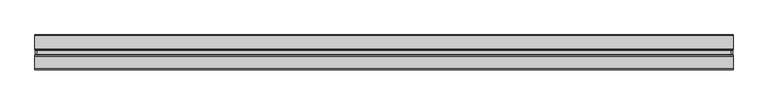
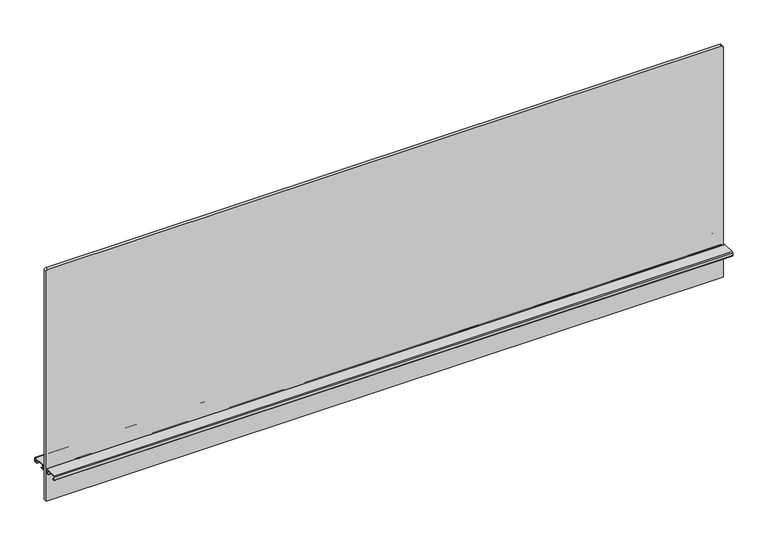
"""IFC4 building model written with IfcOpenShell, lengths in millimetres: furniture geometry."""

from ifc_helpers import new_model, si_unit, point, frame, frame_2d, origin, place, context, project, spatial, polyline, circle_curve, trimmed, segment, composite_curve, outline, extrude, source, transform, mapped, element, save


def furniture_6498df90(model_context):
    return source(origin(), model_context, "Body", "SweptSolid", [
        extrude(outline(composite_curve([segment(polyline([(1239.367613, 756.92), (1239.367613, -756.92)]), True, "CONTINUOUS"), segment(trimmed(circle_curve(frame_2d((1235.557613, -756.92)), 3.81), [point((1239.367613, -756.92))], [point((1235.557613, -760.73))], False, "CARTESIAN"), True, "CONTINUOUS"), segment(polyline([(1235.557613, -760.73), (689.965613, -760.73), (689.965613, 760.73), (1235.557613, 760.73)]), True, "CONTINUOUS"), segment(trimmed(circle_curve(frame_2d((1235.557613, 756.92)), 3.81), [point((1235.557613, 760.73))], [point((1239.367613, 756.92))], False, "CARTESIAN"), True, "CONTINUOUS")], self_intersect=False)), frame((0.0, -3.683001, 0.0), z_axis=(0.0, 1.0, 0.0), x_axis=(0.0, 0.0, 1.0)), (0.0, 0.0, 1.0), 7.3660021),
        extrude(outline(composite_curve([segment(polyline([(8.1724496, 769.2644064), (36.0679996, 769.2644064)]), True, "CONTINUOUS"), segment(trimmed(circle_curve(frame_2d((36.0679996, 767.2324064)), 2.032), [point((36.0679996, 769.2644064))], [point((38.0999996, 767.2324064))], False, "CARTESIAN"), True, "CONTINUOUS"), segment(polyline([(38.0999996, 767.2324064), (38.0999996, 761.1364161)]), True, "CONTINUOUS"), segment(trimmed(circle_curve(frame_2d((36.0679996, 761.1364161)), 2.032), [point((38.0999996, 761.1364161))], [point((36.0679996, 759.1044161))], False, "CARTESIAN"), True, "CONTINUOUS"), segment(polyline([(36.0679996, 759.1044161), (30.7784504, 759.1044161), (30.7784504, 760.0187498), (36.1695996, 760.0187498)]), True, "CONTINUOUS"), segment(trimmed(circle_curve(frame_2d((36.1695996, 761.0347498)), 1.016), [point((36.1695996, 760.0187498))], [point((37.1855996, 761.0347498))], True, "CARTESIAN"), True, "CONTINUOUS"), segment(polyline([(37.1855996, 761.0347498), (37.1855996, 767.334)]), True, "CONTINUOUS"), segment(trimmed(circle_curve(frame_2d((36.1695996, 767.334)), 1.016), [point((37.1855996, 767.334))], [point((36.1695996, 768.35))], True, "CARTESIAN"), True, "CONTINUOUS"), segment(polyline([(36.1695996, 768.35), (8.0708496, 768.35)]), True, "CONTINUOUS"), segment(trimmed(circle_curve(frame_2d((8.0708496, 767.334)), 1.016), [point((8.0708496, 768.35))], [point((7.0548496, 767.334))], True, "CARTESIAN"), True, "CONTINUOUS"), segment(polyline([(7.0548496, 767.334), (7.0548496, 761.0347498)]), True, "CONTINUOUS"), segment(trimmed(circle_curve(frame_2d((8.0708496, 761.0347498)), 1.016), [point((7.0548496, 761.0347498))], [point((8.0708496, 760.0187498))], True, "CARTESIAN"), True, "CONTINUOUS"), segment(polyline([(8.0708496, 760.0187498), (13.4619988, 760.0187498), (13.4619988, 759.1044161), (8.1724496, 759.1044161)]), True, "CONTINUOUS"), segment(trimmed(circle_curve(frame_2d((8.1724496, 761.1364161)), 2.032), [point((8.1724496, 759.1044161))], [point((6.1404496, 761.1364161))], False, "CARTESIAN"), True, "CONTINUOUS"), segment(polyline([(6.1404496, 761.1364161), (6.1404496, 767.2324064)]), True, "CONTINUOUS"), segment(trimmed(circle_curve(frame_2d((8.1724496, 767.2324064)), 2.032), [point((6.1404496, 767.2324064))], [point((8.1724496, 769.2644064))], False, "CARTESIAN"), True, "CONTINUOUS")], self_intersect=False)), frame((-762.0, 0.0, 0.0), z_axis=(1.0, 0.0, 0.0), x_axis=(0.0, 1.0, 0.0)), (0.0, 0.0, 1.0), 1524.0),
        extrude(outline(composite_curve([segment(trimmed(circle_curve(frame_2d((-8.1724496, 767.2324064)), 2.032), [point((-8.1724496, 769.2644064))], [point((-6.1404496, 767.2324064))], False, "CARTESIAN"), True, "CONTINUOUS"), segment(polyline([(-6.1404496, 767.2324064), (-6.1404496, 761.1364161)]), True, "CONTINUOUS"), segment(trimmed(circle_curve(frame_2d((-8.1724496, 761.1364161)), 2.032), [point((-6.1404496, 761.1364161))], [point((-8.1724496, 759.1044161))], False, "CARTESIAN"), True, "CONTINUOUS"), segment(polyline([(-8.1724496, 759.1044161), (-13.4619988, 759.1044161), (-13.4619988, 760.0187498), (-8.0708496, 760.0187498)]), True, "CONTINUOUS"), segment(trimmed(circle_curve(frame_2d((-8.0708496, 761.0347498)), 1.016), [point((-8.0708496, 760.0187498))], [point((-7.0548496, 761.0347498))], True, "CARTESIAN"), True, "CONTINUOUS"), segment(polyline([(-7.0548496, 761.0347498), (-7.0548496, 767.334)]), True, "CONTINUOUS"), segment(trimmed(circle_curve(frame_2d((-8.0708496, 767.334)), 1.016), [point((-7.0548496, 767.334))], [point((-8.0708496, 768.35))], True, "CARTESIAN"), True, "CONTINUOUS"), segment(polyline([(-8.0708496, 768.35), (-36.1695996, 768.35)]), True, "CONTINUOUS"), segment(trimmed(circle_curve(frame_2d((-36.1695996, 767.334)), 1.016), [point((-36.1695996, 768.35))], [point((-37.1855996, 767.334))], True, "CARTESIAN"), True, "CONTINUOUS"), segment(polyline([(-37.1855996, 767.334), (-37.1855996, 761.0347498)]), True, "CONTINUOUS"), segment(trimmed(circle_curve(frame_2d((-36.1695996, 761.0347498)), 1.016), [point((-37.1855996, 761.0347498))], [point((-36.1695996, 760.0187498))], True, "CARTESIAN"), True, "CONTINUOUS"), segment(polyline([(-36.1695996, 760.0187498), (-30.7784504, 760.0187498), (-30.7784504, 759.1044161), (-36.0679996, 759.1044161)]), True, "CONTINUOUS"), segment(trimmed(circle_curve(frame_2d((-36.0679996, 761.1364161)), 2.032), [point((-36.0679996, 759.1044161))], [point((-38.0999996, 761.1364161))], False, "CARTESIAN"), True, "CONTINUOUS"), segment(polyline([(-38.0999996, 761.1364161), (-38.0999996, 767.2324064)]), True, "CONTINUOUS"), segment(trimmed(circle_curve(frame_2d((-36.0679996, 767.2324064)), 2.032), [point((-38.0999996, 767.2324064))], [point((-36.0679996, 769.2644064))], False, "CARTESIAN"), True, "CONTINUOUS"), segment(polyline([(-36.0679996, 769.2644064), (-8.1724496, 769.2644064)]), True, "CONTINUOUS")], self_intersect=False)), frame((-762.0, 0.0, 0.0), z_axis=(1.0, 0.0, 0.0), x_axis=(0.0, 1.0, 0.0)), (0.0, 0.0, 1.0), 1524.0),
    ])


if __name__ == "__main__":
    model = new_model("IFC4")
    model_context = context("Model", 3, world=origin())
    ifc_project = project(units=[si_unit("LENGTHUNIT", "METRE", prefix="MILLI")], contexts=[model_context])
    site = spatial("IfcSite", under=ifc_project)
    building = spatial("IfcBuilding", under=site)
    placement = place(None, origin())
    furniture_shape = furniture_6498df90(model_context)
    element("IfcFurniture", 1, at=placement, inside=building, context=model_context, shape_type="MappedRepresentation", body=[
        mapped(furniture_shape, transform((0.0, 0.0, 0.0), x_axis=(1.0, 0.0, 0.0), y_axis=(0.0, 1.0, 0.0), z_axis=(0.0, 0.0, 1.0))),
    ])
    save(model, "model.ifc")
